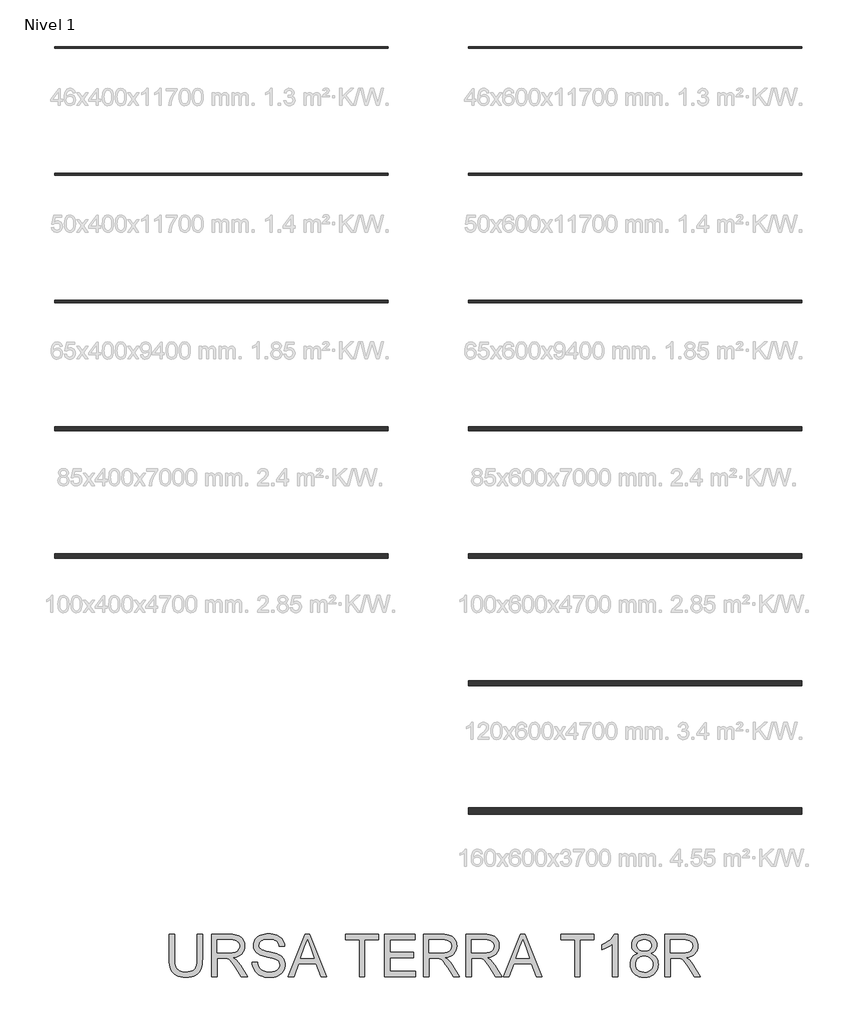
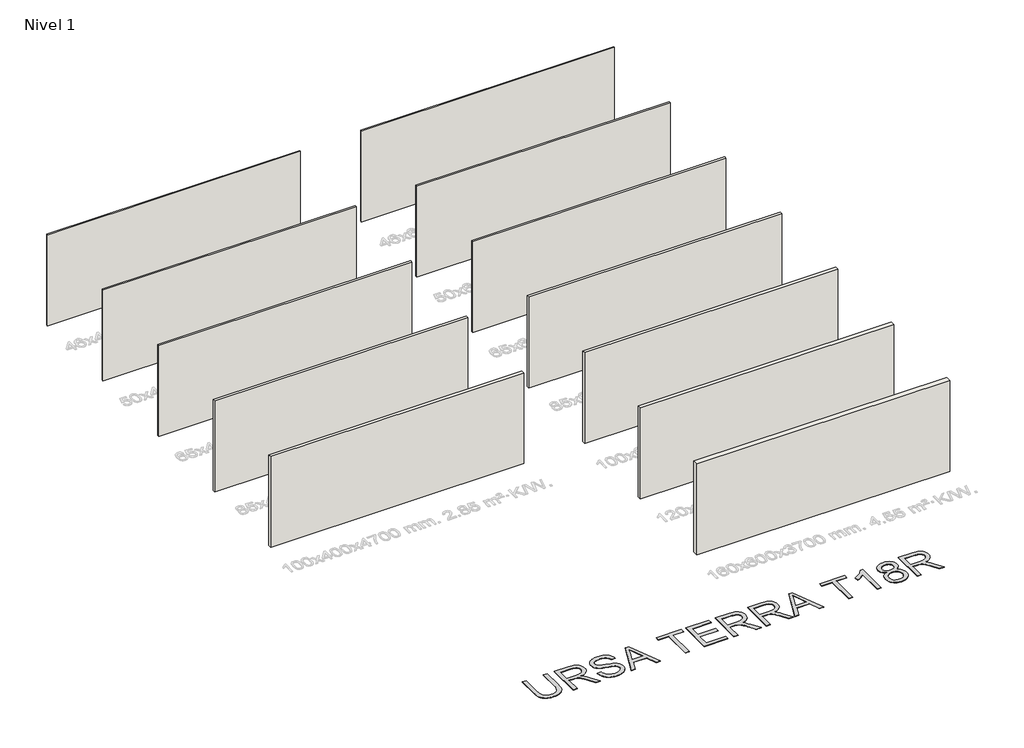
# One storey, part 1 of 13: 12 walls, 1 proxy.
"""IFC4 building model written with IfcOpenShell, lengths in millimetres."""

from ifc_helpers import new_model, si_unit, origin, origin_with_axes, place, context, project, spatial, polyline, outline, extrude, element, save

model = new_model("IFC4")

# Units and contexts
model_context = context("Model", 3, world=origin())
ifc_project = project(units=[si_unit("LENGTHUNIT", "METRE", prefix="MILLI")], contexts=[model_context])

# Site, building, storey
site = spatial("IfcSite", under=ifc_project)
building = spatial("IfcBuilding", under=site)
storey = spatial("IfcBuildingStorey", under=building, Name="Nivel 1", Elevation=0.0)

# Proxy
placement = place(None, origin())
element("IfcBuildingElementProxy", 1, Name="Texto de modelo 2", ObjectType="Texto de modelo 2", at=placement, inside=storey, context=model_context, shape_type="SweptSolid", body=[
    extrude(outline(polyline([(-8258.3419569, -17021.8387308), (-8132.7715692, -17021.8387308), (-8132.7715692, -17601.3755006), (-8134.9022191, -17673.1354823), (-8141.2941687, -17737.0933), (-8151.9474182, -17793.2489537), (-8166.8619674, -17841.6024434), (-8187.3254034, -17883.985515), (-8214.6253131, -17922.229914), (-8248.7616966, -17956.3356407), (-8289.7345538, -17986.3026949), (-8337.58987, -18010.7131981), (-8392.3736304, -18028.1492718), (-8454.0858351, -18038.6109161), (-8522.7264841, -18042.0981308), (-8589.673343, -18039.0631043), (-8650.2282522, -18029.958025), (-8704.3912118, -18014.7828927), (-8752.1622217, -17993.5377074), (-8793.5489462, -17966.5367018), (-8828.5590494, -17934.0941084), (-8857.1925313, -17896.2099271), (-8879.449392, -17852.8841579), (-8896.1343734, -17802.6299446), (-8908.0522172, -17743.9604305), (-8915.2029235, -17676.8756159), (-8917.5864922, -17601.3755006), (-8917.5864922, -17021.8387308), (-8792.0161045, -17021.8387308), (-8792.0161045, -17596.9609166), (-8790.4679345, -17657.66911), (-8785.8234243, -17709.8087187), (-8778.082574, -17753.3797425), (-8767.2453835, -17788.3821815), (-8752.6374026, -17817.3452244), (-8733.584181, -17842.7980599), (-8710.0857185, -17864.7406881), (-8682.1420153, -17883.1731089), (-8650.2895659, -17897.7657614), (-8615.0648648, -17908.1890846), (-8576.4679122, -17914.4430785), (-8534.4987079, -17916.5277431), (-8465.2909076, -17912.4043991), (-8406.7823419, -17900.034367), (-8358.973011, -17879.4176468), (-8339.0805585, -17866.0167788), (-8321.8629147, -17850.5542386), (-8306.9751902, -17832.1601389), (-8294.0724956, -17809.9645918), (-8274.2221963, -17754.1691559), (-8262.3120167, -17683.1679308), (-8258.3419569, -17596.9609166), (-8258.3419569, -17021.8387308)])), origin_with_axes(), (0.0, 0.0, 1.0), 10.0),
    extrude(outline(polyline([(-7913.0233907, -18026.4018323), (-7913.0233907, -17021.8387308), (-7480.1489097, -17021.8387308), (-7418.0151736, -17023.5325209), (-7363.8062287, -17028.6138909), (-7317.5220752, -17037.082841), (-7279.162713, -17048.9393712), (-7246.4978575, -17065.0955221), (-7217.2972242, -17086.4633347), (-7191.5608129, -17113.0428088), (-7169.2886238, -17144.8339446), (-7151.3160555, -17180.1276235), (-7138.4785067, -17217.2147271), (-7130.7759774, -17256.0952555), (-7128.2084677, -17296.7692086), (-7132.4621032, -17348.3646584), (-7145.2230099, -17395.7294653), (-7166.4911878, -17438.8636292), (-7196.2666368, -17477.7671502), (-7234.9325673, -17511.1984265), (-7282.8721898, -17537.9158564), (-7340.0855043, -17557.9194399), (-7406.5725107, -17571.209177), (-7365.1857862, -17598.2485036), (-7335.2034036, -17624.9199483), (-7283.761238, -17685.9270458), (-7233.4227183, -17754.1691559), (-7065.9137832, -18026.4018323), (-7211.8403079, -18026.4018323), (-7342.5610435, -17818.1806231), (-7394.8616005, -17738.7181121), (-7436.984089, -17680.3475022), (-7472.0861627, -17640.1563942), (-7503.3254754, -17615.2323891), (-7532.9093192, -17600.6090798), (-7563.044986, -17591.3200594), (-7635.885621, -17586.9054754), (-7787.453003, -17586.9054754), (-7787.453003, -18026.4018323), (-7913.0233907, -18026.4018323)]), holes=[polyline([(-7787.453003, -17461.3350877), (-7506.3911587, -17461.3350877), (-7425.6717176, -17456.889847), (-7363.0398079, -17443.5541246), (-7337.8552197, -17433.3300709), (-7315.8895989, -17420.4388726), (-7297.1429455, -17404.8805299), (-7281.6152597, -17386.6550427), (-7269.4368328, -17366.6591234), (-7260.7379564, -17345.7894844), (-7255.5186306, -17324.0461257), (-7253.7788554, -17301.4290472), (-7257.0974575, -17269.3160147), (-7267.053264, -17240.176695), (-7283.6462748, -17214.0110881), (-7306.87649, -17190.819194), (-7337.2804041, -17171.827286), (-7375.3945116, -17158.2616374), (-7421.2188126, -17150.1222482), (-7474.7533071, -17147.4091185), (-7787.453003, -17147.4091185), (-7787.453003, -17461.3350877)])]), origin_with_axes(), (0.0, 0.0, 1.0), 10.0),
    extrude(outline(polyline([(-6955.5491846, -17681.0832662), (-6829.9787969, -17681.0832662), (-6824.2306407, -17717.6338753), (-6815.5700854, -17750.7662475), (-6803.997131, -17780.4803828), (-6789.5117774, -17806.7762812), (-6771.3782608, -17830.1827732), (-6748.860817, -17851.228689), (-6721.9594461, -17869.9140286), (-6690.6741481, -17886.2387922), (-6656.1545542, -17899.4902082), (-6619.5502957, -17908.9555054), (-6580.8613725, -17914.6346837), (-6540.0877847, -17916.5277431), (-6470.128892, -17910.7949154), (-6438.4143983, -17903.6288807), (-6408.8765398, -17893.5964321), (-6382.2434162, -17881.0577874), (-6359.2431273, -17866.3731644), (-6339.875673, -17849.5425632), (-6324.1410535, -17830.5659836), (-6311.9626267, -17810.263496), (-6303.2637503, -17789.4551706), (-6298.0444245, -17768.1410075), (-6296.3046492, -17746.3210067), (-6301.5163108, -17704.2904887), (-6317.1512956, -17667.9621417), (-6330.303077, -17651.8443118), (-6348.9117746, -17636.9680836), (-6372.9773884, -17623.3334572), (-6402.4999185, -17610.9404325), (-6468.8106482, -17591.2280889), (-6585.3372701, -17562.9931457), (-6705.358771, -17531.2633237), (-6749.1597211, -17515.9732282), (-6782.1541375, -17501.0663432), (-6815.6850486, -17481.0627597), (-6844.6634199, -17458.8212274), (-6869.0892515, -17434.3417463), (-6888.9625435, -17407.6243164), (-6904.3599378, -17378.9448492), (-6915.3580766, -17348.5792562), (-6921.9569599, -17316.5275374), (-6924.1565877, -17282.7896928), (-6921.4357938, -17245.3960208), (-6913.273412, -17209.2439506), (-6899.6694424, -17174.333482), (-6880.6238849, -17140.6646153), (-6856.3513374, -17109.6092435), (-6827.0663978, -17082.53926), (-6792.7690659, -17059.4546648), (-6753.4593419, -17040.3554579), (-6710.4631337, -17025.3872593), (-6665.1063494, -17014.6956888), (-6617.388989, -17008.2807465), (-6567.3110524, -17006.1424324), (-6512.6805761, -17008.3803812), (-6461.3610377, -17015.0942276), (-6413.3524374, -17026.2839716), (-6368.654775, -17041.9496132), (-6328.095785, -17061.9531967), (-6292.503202, -17086.1567663), (-6261.8770259, -17114.560322), (-6236.2172567, -17147.1638639), (-6215.7231639, -17183.01703), (-6200.5940168, -17221.1694586), (-6190.8298155, -17261.6211496), (-6186.43056, -17304.3721031), (-6312.0009477, -17304.3721031), (-6320.4009199, -17264.3036225), (-6335.0548861, -17229.4468035), (-6355.9628461, -17199.801646), (-6383.1248001, -17175.3681502), (-6417.0465857, -17156.2689432), (-6458.2340408, -17142.6266526), (-6506.6871652, -17134.4412782), (-6562.4059591, -17131.7128201), (-6619.9028493, -17134.4106214), (-6669.030424, -17142.5040253), (-6709.7886834, -17155.9930317), (-6742.1776274, -17174.8776408), (-6766.8563779, -17197.5790256), (-6784.4840568, -17222.5183592), (-6795.0606642, -17249.6956416), (-6798.5862, -17279.1108728), (-6796.0876681, -17304.4180884), (-6788.5920725, -17327.3647278), (-6776.099413, -17347.9507911), (-6758.6096899, -17366.1762783), (-6731.0798539, -17383.4360753), (-6687.7310921, -17400.8798132), (-6628.5634046, -17418.5074921), (-6553.5767912, -17436.3191121), (-6415.1305337, -17469.9803146), (-6366.4168262, -17485.2014322), (-6331.3760661, -17499.3495606), (-6292.8787482, -17520.7940152), (-6259.7923612, -17544.9056143), (-6232.1169053, -17571.6843579), (-6209.8523804, -17601.1302459), (-6192.7382034, -17633.0899942), (-6180.5137913, -17667.4103187), (-6173.179144, -17704.0912193), (-6170.7342616, -17743.1326961), (-6173.547026, -17782.4117632), (-6181.9853192, -17820.5411992), (-6196.0491414, -17857.5210039), (-6215.7384923, -17893.3511774), (-6240.7084827, -17926.644498), (-6270.6142232, -17956.0137439), (-6305.4557139, -17981.4589153), (-6345.2329546, -18002.980012), (-6388.78865, -18020.094189), (-6434.9655046, -18032.3186011), (-6483.7635184, -18039.6532484), (-6535.1826914, -18042.0981308), (-6599.4164206, -18039.4616432), (-6658.208562, -18031.5521803), (-6711.5591155, -18018.3697421), (-6759.4680812, -17999.9143287), (-6802.2266989, -17976.1552832), (-6840.1262086, -17947.0619487), (-6873.1666103, -17912.6343253), (-6901.347904, -17872.872413), (-6924.0492888, -17829.0637988), (-6940.6499638, -17782.4960695), (-6951.1499291, -17733.1692253), (-6955.5491846, -17681.0832662)])), origin_with_axes(), (0.0, 0.0, 1.0), 10.0),
    extrude(outline(polyline([(-6099.1198998, -18026.4018323), (-5698.1285251, -17021.8387308), (-5591.1974918, -17021.8387308), (-5190.4513717, -18026.4018323), (-5323.1341447, -18026.4018323), (-5437.9133272, -17712.4758631), (-5851.9031991, -17712.4758631), (-5966.6823816, -18026.4018323), (-6099.1198998, -18026.4018323)]), holes=[polyline([(-5805.7953223, -17586.9054754), (-5483.7759492, -17586.9054754), (-5574.5201747, -17339.9340293), (-5644.9082631, -17147.4091185), (-5707.4482023, -17318.351619), (-5805.7953223, -17586.9054754)])]), origin_with_axes(), (0.0, 0.0, 1.0), 10.0),
    extrude(outline(polyline([(-4412.7488339, -18026.4018323), (-4412.7488339, -17147.4091185), (-4742.3711016, -17147.4091185), (-4742.3711016, -17021.8387308), (-3957.5561786, -17021.8387308), (-3957.5561786, -17147.4091185), (-4287.1784463, -17147.4091185), (-4287.1784463, -18026.4018323), (-4412.7488339, -18026.4018323)])), origin_with_axes(), (0.0, 0.0, 1.0), 10.0),
    extrude(outline(polyline([(-3816.2894924, -18026.4018323), (-3816.2894924, -17021.8387308), (-3094.2597632, -17021.8387308), (-3094.2597632, -17147.4091185), (-3690.7191047, -17147.4091185), (-3690.7191047, -17445.6387893), (-3125.6523601, -17445.6387893), (-3125.6523601, -17571.209177), (-3690.7191047, -17571.209177), (-3690.7191047, -17900.8314446), (-3078.5634648, -17900.8314446), (-3078.5634648, -18026.4018323), (-3816.2894924, -18026.4018323)])), origin_with_axes(), (0.0, 0.0, 1.0), 10.0),
    extrude(outline(polyline([(-2890.2078832, -18026.4018323), (-2890.2078832, -17021.8387308), (-2457.3334022, -17021.8387308), (-2395.1996661, -17023.5325209), (-2340.9907213, -17028.6138909), (-2294.7065678, -17037.082841), (-2256.3472055, -17048.9393712), (-2223.6823501, -17065.0955221), (-2194.4817167, -17086.4633347), (-2168.7453054, -17113.0428088), (-2146.4731163, -17144.8339446), (-2128.500548, -17180.1276235), (-2115.6629992, -17217.2147271), (-2107.9604699, -17256.0952555), (-2105.3929602, -17296.7692086), (-2109.6465958, -17348.3646584), (-2122.4075025, -17395.7294653), (-2143.6756803, -17438.8636292), (-2173.4511293, -17477.7671502), (-2212.1170598, -17511.1984265), (-2260.0566823, -17537.9158564), (-2317.2699968, -17557.9194399), (-2383.7570032, -17571.209177), (-2342.3702788, -17598.2485036), (-2312.3878961, -17624.9199483), (-2260.9457305, -17685.9270458), (-2210.6072108, -17754.1691559), (-2043.0982757, -18026.4018323), (-2189.0248004, -18026.4018323), (-2319.745536, -17818.1806231), (-2372.046093, -17738.7181121), (-2414.1685815, -17680.3475022), (-2449.2706552, -17640.1563942), (-2480.5099679, -17615.2323891), (-2510.0938117, -17600.6090798), (-2540.2294785, -17591.3200594), (-2613.0701135, -17586.9054754), (-2764.6374955, -17586.9054754), (-2764.6374955, -18026.4018323), (-2890.2078832, -18026.4018323)]), holes=[polyline([(-2764.6374955, -17461.3350877), (-2483.5756512, -17461.3350877), (-2402.8562101, -17456.889847), (-2340.2243004, -17443.5541246), (-2315.0397122, -17433.3300709), (-2293.0740914, -17420.4388726), (-2274.3274381, -17404.8805299), (-2258.7997522, -17386.6550427), (-2246.6213253, -17366.6591234), (-2237.922449, -17345.7894844), (-2232.7031231, -17324.0461257), (-2230.9633479, -17301.4290472), (-2234.28195, -17269.3160147), (-2244.2377565, -17240.176695), (-2260.8307674, -17214.0110881), (-2284.0609825, -17190.819194), (-2314.4648966, -17171.827286), (-2352.5790041, -17158.2616374), (-2398.4033051, -17150.1222482), (-2451.9377996, -17147.4091185), (-2764.6374955, -17147.4091185), (-2764.6374955, -17461.3350877)])]), origin_with_axes(), (0.0, 0.0, 1.0), 10.0),
    extrude(outline(polyline([(-1885.6447817, -18026.4018323), (-1885.6447817, -17021.8387308), (-1452.7703007, -17021.8387308), (-1390.6365646, -17023.5325209), (-1336.4276198, -17028.6138909), (-1290.1434663, -17037.082841), (-1251.784104, -17048.9393712), (-1219.1192486, -17065.0955221), (-1189.9186152, -17086.4633347), (-1164.1822039, -17113.0428088), (-1141.9100148, -17144.8339446), (-1123.9374465, -17180.1276235), (-1111.0998977, -17217.2147271), (-1103.3973685, -17256.0952555), (-1100.8298587, -17296.7692086), (-1105.0834943, -17348.3646584), (-1117.844401, -17395.7294653), (-1139.1125788, -17438.8636292), (-1168.8880278, -17477.7671502), (-1207.5539583, -17511.1984265), (-1255.4935808, -17537.9158564), (-1312.7068953, -17557.9194399), (-1379.1939017, -17571.209177), (-1337.8071773, -17598.2485036), (-1307.8247946, -17624.9199483), (-1256.382629, -17685.9270458), (-1206.0441093, -17754.1691559), (-1038.5351742, -18026.4018323), (-1184.4616989, -18026.4018323), (-1315.1824346, -17818.1806231), (-1367.4829915, -17738.7181121), (-1409.60548, -17680.3475022), (-1444.7075537, -17640.1563942), (-1475.9468664, -17615.2323891), (-1505.5307102, -17600.6090798), (-1535.666377, -17591.3200594), (-1608.507012, -17586.9054754), (-1760.0743941, -17586.9054754), (-1760.0743941, -18026.4018323), (-1885.6447817, -18026.4018323)]), holes=[polyline([(-1760.0743941, -17461.3350877), (-1479.0125497, -17461.3350877), (-1398.2931086, -17456.889847), (-1335.6611989, -17443.5541246), (-1310.4766107, -17433.3300709), (-1288.5109899, -17420.4388726), (-1269.7643366, -17404.8805299), (-1254.2366507, -17386.6550427), (-1242.0582238, -17366.6591234), (-1233.3593475, -17345.7894844), (-1228.1400217, -17324.0461257), (-1226.4002464, -17301.4290472), (-1229.7188485, -17269.3160147), (-1239.674655, -17240.176695), (-1256.2676659, -17214.0110881), (-1279.497881, -17190.819194), (-1309.9017951, -17171.827286), (-1348.0159026, -17158.2616374), (-1393.8402036, -17150.1222482), (-1447.3746982, -17147.4091185), (-1760.0743941, -17147.4091185), (-1760.0743941, -17461.3350877)])]), origin_with_axes(), (0.0, 0.0, 1.0), 10.0),
    extrude(outline(polyline([(-997.8229, -18026.4018323), (-596.8315253, -17021.8387308), (-489.900492, -17021.8387308), (-89.154372, -18026.4018323), (-221.8371449, -18026.4018323), (-336.6163274, -17712.4758631), (-750.6061993, -17712.4758631), (-865.3853818, -18026.4018323), (-997.8229, -18026.4018323)]), holes=[polyline([(-704.4983226, -17586.9054754), (-382.4789494, -17586.9054754), (-473.2231749, -17339.9340293), (-543.6112633, -17147.4091185), (-606.1512025, -17318.351619), (-704.4983226, -17586.9054754)])]), origin_with_axes(), (0.0, 0.0, 1.0), 10.0),
    extrude(outline(polyline([(688.5481658, -18026.4018323), (688.5481658, -17147.4091185), (358.9258982, -17147.4091185), (358.9258982, -17021.8387308), (1143.7408212, -17021.8387308), (1143.7408212, -17147.4091185), (814.1185535, -17147.4091185), (814.1185535, -18026.4018323), (688.5481658, -18026.4018323)])), origin_with_axes(), (0.0, 0.0, 1.0), 10.0),
    extrude(outline(polyline([(1708.8075658, -18026.4018323), (1583.2371781, -18026.4018323), (1583.2371781, -17243.5489466), (1530.8139938, -17285.9473465), (1464.2886663, -17328.2844328), (1394.4524009, -17365.2872302), (1332.0964027, -17391.6827633), (1332.0964027, -17272.9795062), (1383.0557233, -17247.427036), (1430.7194343, -17219.3300486), (1475.0875357, -17188.6885441), (1516.1600277, -17155.5025224), (1552.7106367, -17121.3048253), (1583.5130896, -17087.6282943), (1608.5673863, -17054.4729295), (1627.8735269, -17021.8387308), (1708.8075658, -17021.8387308), (1708.8075658, -18026.4018323)])), origin_with_axes(), (0.0, 0.0, 1.0), 10.0),
    extrude(outline(polyline([(2189.9972155, -17473.1073116), (2153.8758021, -17458.0241498), (2122.7667809, -17439.997932), (2096.6701518, -17419.0286583), (2075.585915, -17395.1163286), (2059.3301293, -17368.4908692), (2047.7188539, -17339.3822063), (2040.7520886, -17307.79034), (2038.4298335, -17273.7152702), (2043.4882109, -17222.5030308), (2058.6633432, -17175.5520912), (2083.9552304, -17132.8624513), (2119.3638724, -17094.4341112), (2163.1878151, -17062.6736323), (2213.7256042, -17039.9875759), (2270.9772397, -17026.3759421), (2334.9427216, -17021.8387308), (2399.2147718, -17026.483241), (2456.895603, -17040.4167716), (2507.9852151, -17063.6393225), (2552.4836081, -17096.1508939), (2588.5360436, -17135.3303264), (2614.2877833, -17178.5564608), (2629.7388271, -17225.8292972), (2634.889175, -17277.1488355), (2632.5975767, -17310.0206246), (2625.7227819, -17340.7004502), (2614.2647906, -17369.1883122), (2598.2236028, -17395.4842106), (2577.5225764, -17419.2355919), (2552.0850692, -17440.0899025), (2521.9110814, -17458.0471424), (2487.0006129, -17473.1073116), (2528.2723743, -17490.6660127), (2564.2864888, -17512.9305376), (2595.0429564, -17539.9008863), (2620.5417772, -17571.577059), (2640.5530249, -17607.2539483), (2654.8467732, -17646.2264472), (2663.4230222, -17688.4945556), (2666.2817719, -17734.0582735), (2660.6102578, -17796.6901832), (2643.5957155, -17854.1104313), (2615.2381451, -17906.3190177), (2575.5375464, -17953.3159426), (2551.9547777, -17974.124268), (2526.5785842, -17992.15815), (2499.4089661, -18007.4175885), (2470.4459231, -18019.9025838), (2407.1395631, -18036.549244), (2336.6595042, -18042.0981308), (2266.1794453, -18036.5262514), (2202.8730853, -18019.8106133), (2173.9100424, -18007.2738846), (2146.7404242, -17991.9512163), (2121.3642308, -17973.8426083), (2097.781462, -17952.9480606), (2058.0808634, -17905.6215748), (2029.7232929, -17852.7921874), (2012.7087507, -17794.4598986), (2007.0372366, -17730.6247082), (2010.0109494, -17682.9839898), (2018.9320877, -17639.3899734), (2033.8006517, -17599.8426589), (2054.6166413, -17564.3420464), (2080.9202039, -17533.5319293), (2112.2514872, -17508.0561011), (2148.610491, -17487.9145619), (2189.9972155, -17473.1073116)]), holes=[polyline([(2132.6076242, -17726.2101243), (2137.8499427, -17774.2493815), (2153.576898, -17820.755797), (2166.0772216, -17842.3305432), (2182.6089188, -17861.314787), (2203.1719894, -17877.7085284), (2227.7664337, -17891.5117674), (2281.845087, -17910.2737492), (2337.6405229, -17916.5277431), (2383.0432925, -17913.2397978), (2423.1117731, -17903.3759618), (2457.8459648, -17886.9362351), (2487.2458676, -17863.9206178), (2510.6370311, -17835.8312946), (2527.3450051, -17804.1704504), (2537.3697894, -17768.9380852), (2540.7113842, -17730.1341989), (2537.2624905, -17690.7095117), (2526.9158094, -17654.8410172), (2509.6713409, -17622.5287153), (2485.529085, -17593.772606), (2455.3321045, -17570.1668447), (2419.9234625, -17553.3055865), (2379.3031588, -17543.1888317), (2333.4711936, -17539.81658), (2288.7352102, -17543.1428464), (2249.1955599, -17553.1216455), (2214.8522428, -17569.7529774), (2185.7052589, -17593.036842), (2162.4750437, -17621.3177704), (2145.8820329, -17652.9402936), (2135.9262264, -17687.9044115), (2132.6076242, -17726.2101243)]), polyline([(2164.0002212, -17277.3940902), (2166.7823288, -17306.1808563), (2175.1286515, -17332.2085074), (2189.0391895, -17355.4770436), (2208.5139426, -17375.9864649), (2233.3076562, -17392.7250956), (2263.1750757, -17404.6812605), (2298.116201, -17411.8549594), (2338.1310322, -17414.2461924), (2377.1571805, -17411.8702878), (2411.3395493, -17404.7425742), (2440.6781384, -17392.8630514), (2465.1729479, -17376.2317195), (2484.4867526, -17356.151494), (2498.2823275, -17333.9252901), (2506.5596723, -17309.5531079), (2509.3187873, -17283.0349474), (2506.4677018, -17255.4821188), (2497.9144455, -17230.2132243), (2483.6590181, -17207.2282638), (2463.7014199, -17186.5272373), (2438.6547874, -17169.4130604), (2409.1322573, -17157.1886482), (2375.1338296, -17149.854001), (2336.6595042, -17147.4091185), (2297.8862748, -17149.8003515), (2263.7268987, -17156.9740504), (2234.181376, -17168.9302152), (2209.2497066, -17185.668846), (2189.4530567, -17205.7490716), (2175.3125925, -17227.7300208), (2166.828314, -17251.6116937), (2164.0002212, -17277.3940902)])]), origin_with_axes(), (0.0, 0.0, 1.0), 10.0),
    extrude(outline(polyline([(2823.2447565, -18026.4018323), (2823.2447565, -17021.8387308), (3256.1192375, -17021.8387308), (3318.2529737, -17023.5325209), (3372.4619185, -17028.6138909), (3418.746072, -17037.082841), (3457.1054342, -17048.9393712), (3489.7702897, -17065.0955221), (3518.9709231, -17086.4633347), (3544.7073343, -17113.0428088), (3566.9795234, -17144.8339446), (3584.9520917, -17180.1276235), (3597.7896405, -17217.2147271), (3605.4921698, -17256.0952555), (3608.0596796, -17296.7692086), (3603.806044, -17348.3646584), (3591.0451373, -17395.7294653), (3569.7769594, -17438.8636292), (3540.0015105, -17477.7671502), (3501.3355799, -17511.1984265), (3453.3959574, -17537.9158564), (3396.182643, -17557.9194399), (3329.6956366, -17571.209177), (3371.082361, -17598.2485036), (3401.0647436, -17624.9199483), (3452.5069093, -17685.9270458), (3502.8454289, -17754.1691559), (3670.3543641, -18026.4018323), (3524.4278393, -18026.4018323), (3393.7071037, -17818.1806231), (3341.4065467, -17738.7181121), (3299.2840583, -17680.3475022), (3264.1819846, -17640.1563942), (3232.9426718, -17615.2323891), (3203.358828, -17600.6090798), (3173.2231613, -17591.3200594), (3100.3825262, -17586.9054754), (2948.8151442, -17586.9054754), (2948.8151442, -18026.4018323), (2823.2447565, -18026.4018323)]), holes=[polyline([(2948.8151442, -17461.3350877), (3229.8769885, -17461.3350877), (3310.5964296, -17456.889847), (3373.2283393, -17443.5541246), (3398.4129276, -17433.3300709), (3420.3785484, -17420.4388726), (3439.1252017, -17404.8805299), (3454.6528876, -17386.6550427), (3466.8313145, -17366.6591234), (3475.5301908, -17345.7894844), (3480.7495166, -17324.0461257), (3482.4892919, -17301.4290472), (3479.1706897, -17269.3160147), (3469.2148832, -17240.176695), (3452.6218724, -17214.0110881), (3429.3916572, -17190.819194), (3398.9877432, -17171.827286), (3360.8736356, -17158.2616374), (3315.0493346, -17150.1222482), (3261.5148401, -17147.4091185), (2948.8151442, -17147.4091185), (2948.8151442, -17461.3350877)])]), origin_with_axes(), (0.0, 0.0, 1.0), 10.0),
])

# Walls
element("IfcWall", 2, at=placement, inside=storey, context=model_context, shape_type="SweptSolid", body=[
    extrude(outline(polyline([(-3731.2417232, 3954.3831431), (-11631.2417232, 3954.3831431), (-11631.2417232, 4000.3831431), (-3731.2417232, 4000.3831431), (-3731.2417232, 3954.3831431)])), origin_with_axes(), (0.0, 0.0, 1.0), 3000.0),
])
element("IfcWall", 3, at=placement, inside=storey, context=model_context, shape_type="SweptSolid", body=[
    extrude(outline(polyline([(-3731.2417232, 950.3831431), (-11631.2417232, 950.3831431), (-11631.2417232, 1000.3831431), (-3731.2417232, 1000.3831431), (-3731.2417232, 950.3831431)])), origin_with_axes(), (0.0, 0.0, 1.0), 3000.0),
])
element("IfcWall", 4, at=placement, inside=storey, context=model_context, shape_type="SweptSolid", body=[
    extrude(outline(polyline([(6068.7582768, 3954.3831431), (-1831.2417232, 3954.3831431), (-1831.2417232, 4000.3831431), (6068.7582768, 4000.3831431), (6068.7582768, 3954.3831431)])), origin_with_axes(), (0.0, 0.0, 1.0), 3000.0),
])
element("IfcWall", 5, at=placement, inside=storey, context=model_context, shape_type="SweptSolid", body=[
    extrude(outline(polyline([(-3731.2417232, -2068.6168569), (-11631.2417232, -2068.6168569), (-11631.2417232, -2003.6168569), (-3731.2417232, -2003.6168569), (-3731.2417232, -2068.6168569)])), origin_with_axes(), (0.0, 0.0, 1.0), 3000.0),
])
element("IfcWall", 6, at=placement, inside=storey, context=model_context, shape_type="SweptSolid", body=[
    extrude(outline(polyline([(-3731.2417232, -5092.6168569), (-11631.2417232, -5092.6168569), (-11631.2417232, -5007.6168569), (-3731.2417232, -5007.6168569), (-3731.2417232, -5092.6168569)])), origin_with_axes(), (0.0, 0.0, 1.0), 3000.0),
])
element("IfcWall", 7, at=placement, inside=storey, context=model_context, shape_type="SweptSolid", body=[
    extrude(outline(polyline([(-3731.2417232, -8111.6168569), (-11631.2417232, -8111.6168569), (-11631.2417232, -8011.6168569), (-3731.2417232, -8011.6168569), (-3731.2417232, -8111.6168569)])), origin_with_axes(), (0.0, 0.0, 1.0), 3000.0),
])
element("IfcWall", 8, at=placement, inside=storey, context=model_context, shape_type="SweptSolid", body=[
    extrude(outline(polyline([(6068.7582768, 950.3831431), (-1831.2417232, 950.3831431), (-1831.2417232, 1000.3831431), (6068.7582768, 1000.3831431), (6068.7582768, 950.3831431)])), origin_with_axes(), (0.0, 0.0, 1.0), 3000.0),
])
element("IfcWall", 9, at=placement, inside=storey, context=model_context, shape_type="SweptSolid", body=[
    extrude(outline(polyline([(6068.7582768, -2068.6168569), (-1831.2417232, -2068.6168569), (-1831.2417232, -2003.6168569), (6068.7582768, -2003.6168569), (6068.7582768, -2068.6168569)])), origin_with_axes(), (0.0, 0.0, 1.0), 3000.0),
])
element("IfcWall", 10, at=placement, inside=storey, context=model_context, shape_type="SweptSolid", body=[
    extrude(outline(polyline([(6068.7582768, -5092.6168569), (-1831.2417232, -5092.6168569), (-1831.2417232, -5007.6168569), (6068.7582768, -5007.6168569), (6068.7582768, -5092.6168569)])), origin_with_axes(), (0.0, 0.0, 1.0), 3000.0),
])
element("IfcWall", 11, at=placement, inside=storey, context=model_context, shape_type="SweptSolid", body=[
    extrude(outline(polyline([(6068.7582768, -8111.6168569), (-1831.2417232, -8111.6168569), (-1831.2417232, -8011.6168569), (6068.7582768, -8011.6168569), (6068.7582768, -8111.6168569)])), origin_with_axes(), (0.0, 0.0, 1.0), 3000.0),
])
element("IfcWall", 12, at=placement, inside=storey, context=model_context, shape_type="SweptSolid", body=[
    extrude(outline(polyline([(6068.7582768, -11135.6168569), (-1831.2417232, -11135.6168569), (-1831.2417232, -11015.6168569), (6068.7582768, -11015.6168569), (6068.7582768, -11135.6168569)])), origin_with_axes(), (0.0, 0.0, 1.0), 3000.0),
])
element("IfcWall", 13, at=placement, inside=storey, context=model_context, shape_type="SweptSolid", body=[
    extrude(outline(polyline([(6068.7582768, -14179.6168569), (-1831.2417232, -14179.6168569), (-1831.2417232, -14019.6168569), (6068.7582768, -14019.6168569), (6068.7582768, -14179.6168569)])), origin_with_axes(), (0.0, 0.0, 1.0), 3000.0),
])

save(model, "model.ifc")
